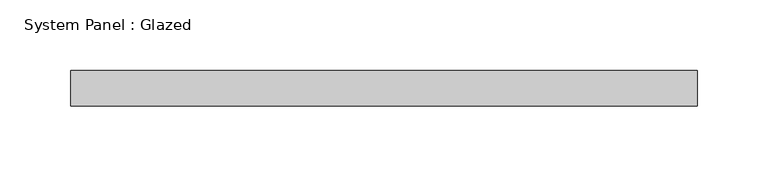
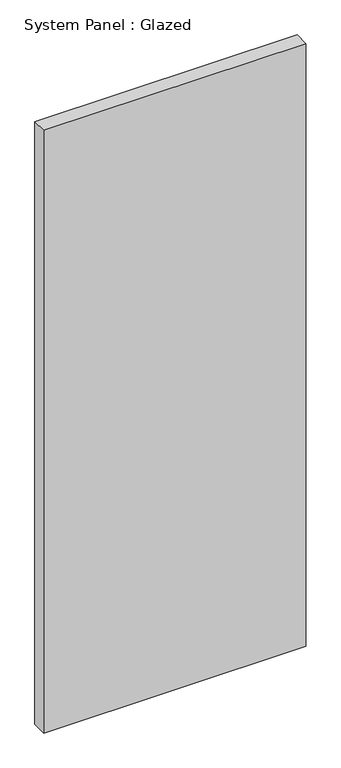
"""IFC4 building model written with IfcOpenShell, lengths in millimetres: plate geometry, System Panel : Glazed."""

from ifc_helpers import new_model, si_unit, origin, origin_with_axes, place, context, project, spatial, polyline, outline, extrude, source, transform, mapped, element, save


def system_panel_glazed_82ef9d23(model_context):
    return source(origin(), model_context, "Body", "SweptSolid", [
        extrude(outline(polyline([(222.25, -12.7), (-222.25, -12.7), (-222.25, 12.7), (222.25, 12.7), (222.25, -12.7)])), origin_with_axes(), (0.0, 0.0, 1.0), 1080.0),
    ])


if __name__ == "__main__":
    model = new_model("IFC4")
    model_context = context("Model", 3, world=origin())
    ifc_project = project(units=[si_unit("LENGTHUNIT", "METRE", prefix="MILLI")], contexts=[model_context])
    site = spatial("IfcSite", under=ifc_project)
    building = spatial("IfcBuilding", under=site)
    placement = place(None, origin())
    system_panel_glazed_shape = system_panel_glazed_82ef9d23(model_context)
    element("IfcPlate", 1, ObjectType="System Panel : Glazed", at=placement, inside=building, context=model_context, shape_type="MappedRepresentation", body=[
        mapped(system_panel_glazed_shape, transform((0.0, 0.0, 0.0), x_axis=(1.0, 0.0, 0.0), y_axis=(0.0, 1.0, 0.0), z_axis=(0.0, 0.0, 1.0))),
    ])
    save(model, "model.ifc")
